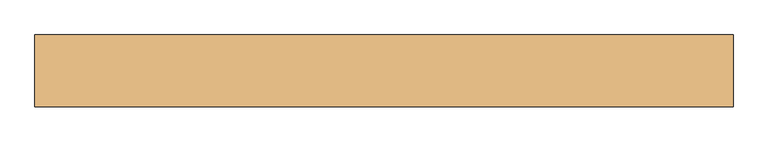
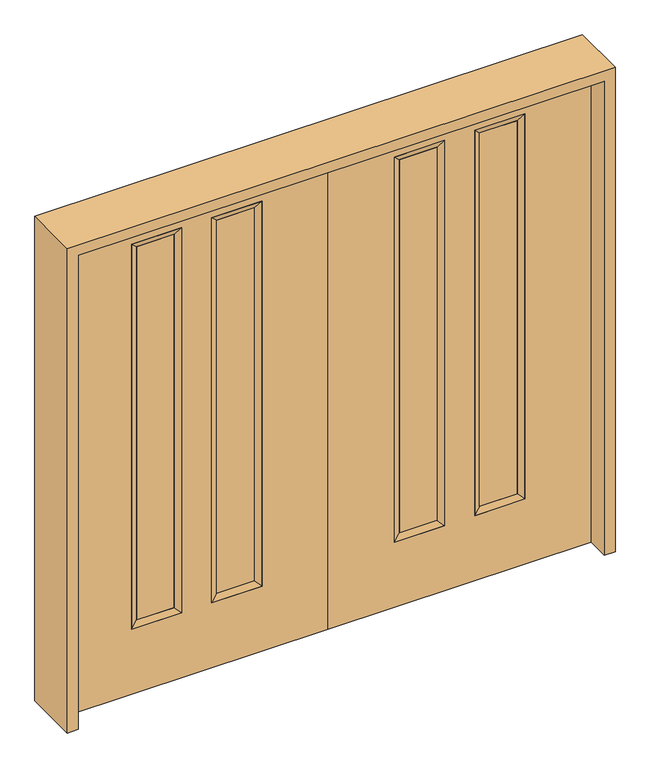
"""IFC4 building model written with IfcOpenShell, lengths in millimetres: door geometry."""

from ifc_helpers import new_model, si_unit, frame, origin, place, context, project, spatial, polyline, outline, extrude, faceted_brep, source, transform, mapped, element, save


def door_0a981783(model_context):
    return source(origin(), model_context, "Body", "SolidModel", [
        extrude(outline(polyline([(620.014, -12.7039749), (620.014, 14.2875), (772.414, 14.2875), (772.414, -12.7039749), (620.014, -12.7039749)])), frame((0.0, 0.0, 304.8), z_axis=(0.0, 0.0, 1.0), x_axis=(1.0, 0.0, 0.0)), (0.0, 0.0, 1.0), 1600.2),
        extrude(outline(polyline([(294.386, -12.7039749), (294.386, 14.2875), (446.786, 14.2875), (446.786, -12.7039749), (294.386, -12.7039749)])), frame((0.0, 0.0, 304.8), z_axis=(0.0, 0.0, 1.0), x_axis=(1.0, 0.0, 0.0)), (0.0, 0.0, 1.0), 1600.2),
        faceted_brep([(268.986, 22.225, 1930.4), (472.186, 22.225, 1930.4), (446.786, 14.2875, 1905.0), (294.386, 14.2875, 1905.0), (446.786, -12.7039749, 1905.0), (294.386, -12.7039749, 1905.0), (472.186, -22.225, 1930.4), (268.986, -22.225, 1930.4), (472.186, 22.225, 279.4), (446.786, 14.2875, 304.8), (446.786, -12.7039749, 304.8), (472.186, -22.225, 279.4), (268.986, 22.225, 279.4), (294.386, 14.2875, 304.8), (294.386, -12.7039749, 304.8), (268.986, -22.225, 279.4)], [[[0, 1, 2, 3]], [[3, 2, 4, 5]], [[5, 4, 6, 7]], [[7, 6, 1, 0]], [[1, 8, 9, 2]], [[2, 9, 10, 4]], [[4, 10, 11, 6]], [[6, 11, 8, 1]], [[8, 12, 13, 9]], [[9, 13, 14, 10]], [[10, 14, 15, 11]], [[11, 15, 12, 8]], [[12, 0, 3, 13]], [[13, 3, 5, 14]], [[14, 5, 7, 15]], [[15, 7, 0, 12]]]),
        faceted_brep([(772.414, 14.2875, 1905.0), (620.014, 14.2875, 1905.0), (594.614, 22.225, 1930.4), (797.814, 22.225, 1930.4), (772.414, -12.7039749, 1905.0), (620.014, -12.7039749, 1905.0), (797.814, -22.225, 1930.4), (594.614, -22.225, 1930.4), (620.014, 14.2875, 304.8), (594.614, 22.225, 279.4), (620.014, -12.7039749, 304.8), (594.614, -22.225, 279.4), (772.414, 14.2875, 304.8), (797.814, 22.225, 279.4), (772.414, -12.7039749, 304.8), (797.814, -22.225, 279.4)], [[[0, 1, 2, 3]], [[4, 5, 1, 0]], [[6, 7, 5, 4]], [[3, 2, 7, 6]], [[1, 8, 9, 2]], [[5, 10, 8, 1]], [[7, 11, 10, 5]], [[2, 9, 11, 7]], [[8, 12, 13, 9]], [[10, 14, 12, 8]], [[11, 15, 14, 10]], [[9, 13, 15, 11]], [[12, 0, 3, 13]], [[14, 4, 0, 12]], [[15, 6, 4, 14]], [[13, 3, 6, 15]]]),
        extrude(outline(polyline([(0.0, 1066.8), (2032.0, 1066.8), (2032.0, 0.0), (0.0, 0.0), (0.0, 1066.8)]), holes=[polyline([(279.4, 797.814), (279.4, 594.614), (1930.4, 594.614), (1930.4, 797.814), (279.4, 797.814)]), polyline([(279.4, 472.186), (279.4, 268.986), (1930.4, 268.986), (1930.4, 472.186), (279.4, 472.186)])]), frame((0.0, -22.225, 0.0), z_axis=(0.0, 1.0, 0.0), x_axis=(0.0, 0.0, 1.0)), (0.0, 0.0, 1.0), 44.45),
        extrude(outline(polyline([(-620.014, -12.7039749), (-772.414, -12.7039749), (-772.414, 14.2875), (-620.014, 14.2875), (-620.014, -12.7039749)])), frame((0.0, 0.0, 304.8), z_axis=(0.0, 0.0, 1.0), x_axis=(1.0, 0.0, 0.0)), (0.0, 0.0, 1.0), 1600.2),
        extrude(outline(polyline([(-294.386, -12.7039749), (-446.786, -12.7039749), (-446.786, 14.2875), (-294.386, 14.2875), (-294.386, -12.7039749)])), frame((0.0, 0.0, 304.8), z_axis=(0.0, 0.0, 1.0), x_axis=(1.0, 0.0, 0.0)), (0.0, 0.0, 1.0), 1600.2),
        faceted_brep([(-268.986, 22.225, 1930.4), (-294.386, 14.2875, 1905.0), (-446.786, 14.2875, 1905.0), (-472.186, 22.225, 1930.4), (-294.386, -12.7039749, 1905.0), (-446.786, -12.7039749, 1905.0), (-268.986, -22.225, 1930.4), (-472.186, -22.225, 1930.4), (-446.786, 14.2875, 304.8), (-472.186, 22.225, 279.4), (-446.786, -12.7039749, 304.8), (-472.186, -22.225, 279.4), (-294.386, 14.2875, 304.8), (-268.986, 22.225, 279.4), (-294.386, -12.7039749, 304.8), (-268.986, -22.225, 279.4)], [[[0, 1, 2, 3]], [[1, 4, 5, 2]], [[4, 6, 7, 5]], [[6, 0, 3, 7]], [[3, 2, 8, 9]], [[2, 5, 10, 8]], [[5, 7, 11, 10]], [[7, 3, 9, 11]], [[9, 8, 12, 13]], [[8, 10, 14, 12]], [[10, 11, 15, 14]], [[11, 9, 13, 15]], [[13, 12, 1, 0]], [[12, 14, 4, 1]], [[14, 15, 6, 4]], [[15, 13, 0, 6]]]),
        faceted_brep([(-772.414, 14.2875, 1905.0), (-797.814, 22.225, 1930.4), (-594.614, 22.225, 1930.4), (-620.014, 14.2875, 1905.0), (-772.414, -12.7039749, 1905.0), (-620.014, -12.7039749, 1905.0), (-797.814, -22.225, 1930.4), (-594.614, -22.225, 1930.4), (-594.614, 22.225, 279.4), (-620.014, 14.2875, 304.8), (-620.014, -12.7039749, 304.8), (-594.614, -22.225, 279.4), (-797.814, 22.225, 279.4), (-772.414, 14.2875, 304.8), (-772.414, -12.7039749, 304.8), (-797.814, -22.225, 279.4)], [[[0, 1, 2, 3]], [[4, 0, 3, 5]], [[6, 4, 5, 7]], [[1, 6, 7, 2]], [[3, 2, 8, 9]], [[5, 3, 9, 10]], [[7, 5, 10, 11]], [[2, 7, 11, 8]], [[9, 8, 12, 13]], [[10, 9, 13, 14]], [[11, 10, 14, 15]], [[8, 11, 15, 12]], [[13, 12, 1, 0]], [[14, 13, 0, 4]], [[15, 14, 4, 6]], [[12, 15, 6, 1]]]),
        extrude(outline(polyline([(0.0, -1066.8), (0.0, 0.0), (2032.0, 0.0), (2032.0, -1066.8), (0.0, -1066.8)]), holes=[polyline([(279.4, -797.814), (1930.4, -797.814), (1930.4, -594.614), (279.4, -594.614), (279.4, -797.814)]), polyline([(279.4, -472.186), (1930.4, -472.186), (1930.4, -268.986), (279.4, -268.986), (279.4, -472.186)])]), frame((0.0, -22.225, 0.0), z_axis=(0.0, 1.0, 0.0), x_axis=(0.0, 0.0, 1.0)), (0.0, 0.0, 1.0), 44.45),
        extrude(outline(polyline([(0.0, -1111.25), (0.0, -1066.8), (2032.0, -1066.8), (2032.0, 1066.8), (0.0, 1066.8), (0.0, 1111.25), (2076.45, 1111.25), (2076.45, -1111.25), (0.0, -1111.25)])), frame((0.0, -114.3, 0.0), z_axis=(0.0, 1.0, 0.0), x_axis=(0.0, 0.0, 1.0)), (0.0, 0.0, 1.0), 228.6),
    ])


if __name__ == "__main__":
    model = new_model("IFC4")
    model_context = context("Model", 3, world=origin())
    ifc_project = project(units=[si_unit("LENGTHUNIT", "METRE", prefix="MILLI")], contexts=[model_context])
    site = spatial("IfcSite", under=ifc_project)
    building = spatial("IfcBuilding", under=site)
    placement = place(None, origin())
    door_shape = door_0a981783(model_context)
    element("IfcDoor", 1, at=placement, inside=building, context=model_context, shape_type="MappedRepresentation", body=[
        mapped(door_shape, transform((0.0, 0.0, 0.0), x_axis=(1.0, 0.0, 0.0), y_axis=(0.0, 1.0, 0.0), z_axis=(0.0, 0.0, 1.0))),
    ])
    save(model, "model.ifc")
